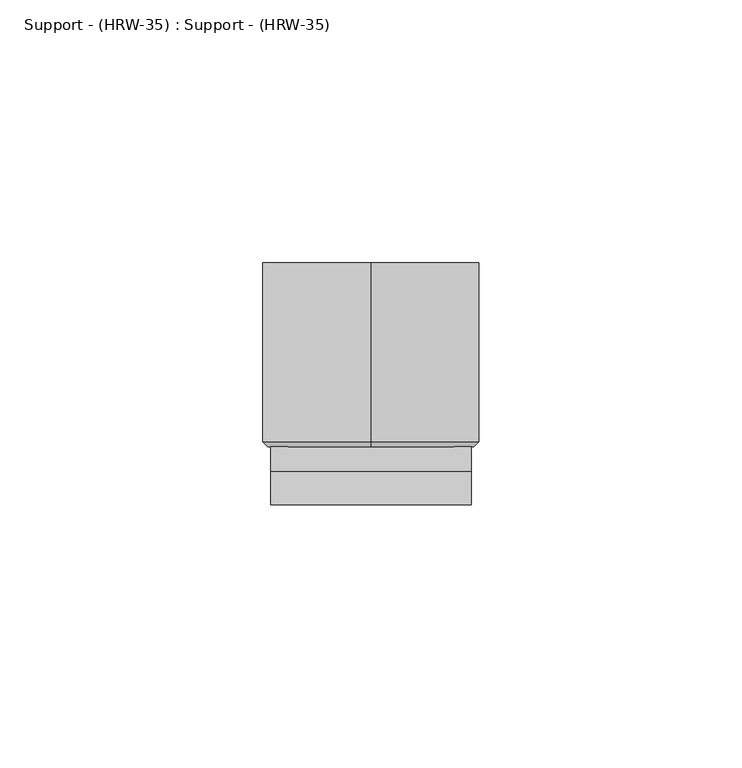
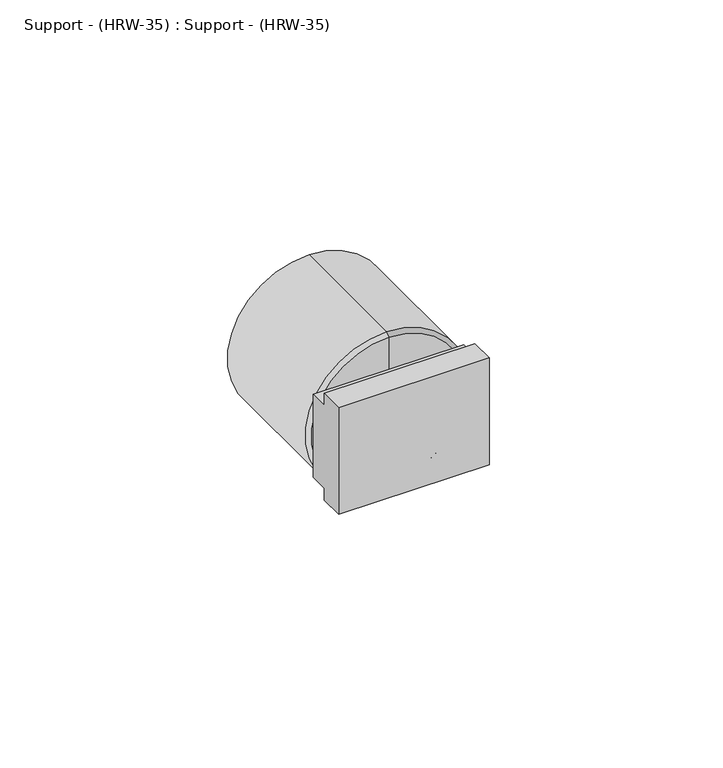
"""IFC4 building model written with IfcOpenShell, lengths in millimetres: proxy geometry, Support - (HRW-35) : Support - (HRW-35)."""

from ifc_helpers import new_model, si_unit, frame, origin, place, context, project, spatial, polyline, circle_curve, outline, extrude, source, transform, mapped, element, save
from ifc_brep_helpers import plane_surface, cylinder_surface, revolved_surface, advanced_brep


def support_hrw_35_support_hrw_35_8b05cb44(model_context):
    return source(origin(), model_context, "Body", "SolidModel", [
        extrude(outline(polyline([(10.6786172, 40.688533), (16.9986811, 40.688533), (16.9986811, 37.513533), (21.7669745, 37.513533), (21.7669745, 15.288533), (16.9986811, 15.288533), (16.9986811, 12.113533), (10.6786172, 12.113533), (10.6786172, 40.688533)])), frame((-19.6503168, 0.0, 0.0), z_axis=(1.0, 0.0, 0.0), x_axis=(0.0, 1.0, 0.0)), (0.0, 0.0, 1.0), 38.1),
        advanced_brep(
        [(-0.6003168, 56.6919745, 5.763533), (-0.6003168, 56.6919745, 47.038533), (-0.6003168, 56.6919745, 26.401033), (-0.6003168, 22.7142976, 5.763533), (-0.6003168, 22.7142976, 47.038533), (-0.6003168, 21.7669745, 6.7108561), (-0.6003168, 21.7669745, 46.09121), (-0.6003168, 21.7669745, 26.401033)],
        [
            (0, 1, circle_curve(frame((-0.6003168, 56.6919745, 26.401033), z_axis=(0.0, 1.0, 0.0), x_axis=(0.0, 0.0, 1.0)), 20.6375)),
            (1, 2),
            (2, 0),
            (1, 0, circle_curve(frame((-0.6003168, 56.6919745, 26.401033), z_axis=(0.0, 1.0, 0.0), x_axis=(0.0, 0.0, 1.0)), 20.6375)),
            (3, 4, circle_curve(frame((-0.6003168, 22.7142976, 26.401033), z_axis=(0.0, 1.0, 0.0), x_axis=(0.0, 0.0, 1.0)), 20.6375)),
            (4, 1),
            (0, 3),
            (4, 3, circle_curve(frame((-0.6003168, 22.7142976, 26.401033), z_axis=(0.0, 1.0, 0.0), x_axis=(0.0, 0.0, 1.0)), 20.6375)),
            (5, 6, circle_curve(frame((-0.6003168, 21.7669745, 26.401033), z_axis=(0.0, 1.0, 0.0), x_axis=(0.0, 0.0, 1.0)), 19.6901769)),
            (6, 4),
            (3, 5),
            (6, 5, circle_curve(frame((-0.6003168, 21.7669745, 26.401033), z_axis=(0.0, 1.0, 0.0), x_axis=(0.0, 0.0, 1.0)), 19.6901769)),
            (7, 6),
            (5, 7),
        ],
        [
            plane_surface(frame((-0.6003168, 56.6919745, 26.401033), z_axis=(0.0, 1.0, 0.0), x_axis=(0.0, 0.0, 1.0))),
            cylinder_surface(frame((-0.6003168, 15.4169745, 26.401033), z_axis=(0.0, -1.0, 0.0), x_axis=(0.0, 0.0, 1.0)), 20.6375),
            revolved_surface(polyline([(-0.6003168, 22.7142976, 47.038533), (-0.6003168, 21.7669745, 46.09121)]), (-0.6003168, 15.4169745, 26.401033), (0.0, -1.0, 0.0)),
            plane_surface(frame((-0.6003168, 21.7669745, 26.401033), z_axis=(0.0, -1.0, 0.0), x_axis=(0.0, 0.0, 1.0))),
        ],
        [
            (0, [[1, 2, 3]]),
            (0, [[4, -3, -2]]),
            (1, [[5, 6, -1, 7]]),
            (1, [[8, -7, -4, -6]]),
            (2, [[9, 10, -5, 11]]),
            (2, [[12, -11, -8, -10]]),
            (3, [[13, -9, 14]]),
            (3, [[-14, -12, -13]]),
        ],
    ),
    ])


if __name__ == "__main__":
    model = new_model("IFC4")
    model_context = context("Model", 3, world=origin())
    ifc_project = project(units=[si_unit("LENGTHUNIT", "METRE", prefix="MILLI")], contexts=[model_context])
    site = spatial("IfcSite", under=ifc_project)
    building = spatial("IfcBuilding", under=site)
    placement = place(None, origin())
    support_hrw_35_support_hrw_35_shape = support_hrw_35_support_hrw_35_8b05cb44(model_context)
    element("IfcBuildingElementProxy", 1, Name="Support - (HRW-35) : Support - (HRW-35)", ObjectType="Support - (HRW-35) : Support - (HRW-35)", at=placement, inside=building, context=model_context, shape_type="MappedRepresentation", body=[
        mapped(support_hrw_35_support_hrw_35_shape, transform((0.0, 0.0, 0.0), x_axis=(1.0, 0.0, 0.0), y_axis=(0.0, 1.0, 0.0), z_axis=(0.0, 0.0, 1.0))),
    ])
    save(model, "model.ifc")
